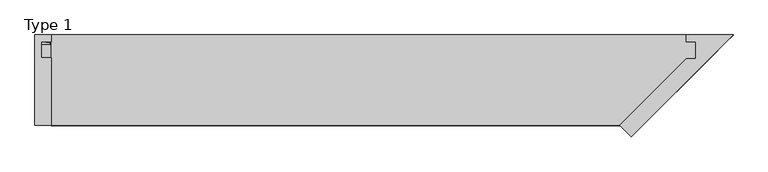
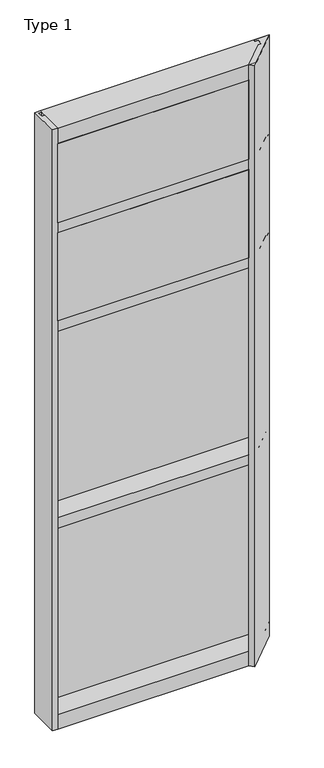
"""IFC4 building model written with IfcOpenShell, lengths in millimetres: plate geometry, Type 1."""

from ifc_helpers import new_model, si_unit, point, frame, frame_2d, origin, place, context, project, spatial, polyline, circle_curve, trimmed, segment, composite_curve, outline, extrude, faceted_brep, source, transform, mapped, element, save


def type_1_4ba3d642(model_context):
    return source(origin(), model_context, "Body", "SolidModel", [
        extrude(outline(polyline([(34.0360843, 3579.4782689), (34.0360843, 3568.7272341), (27.686, 3566.9739421), (27.686, 3579.4782689), (34.0360843, 3579.4782689)])), frame((-643.5056097, 0.0, 0.0), z_axis=(1.0, 0.0, 0.0), x_axis=(0.0, 1.0, 0.0)), (0.0, 0.0, 1.0), 1287.0112194),
        extrude(outline(composite_curve([segment(polyline([(-624.9430559, 27.686), (-625.9095618, 27.686), (-625.9370692, 31.7563748)]), True, "CONTINUOUS"), segment(trimmed(circle_curve(frame_2d((-626.5720547, 31.7520836)), 0.635), [point((-625.9370692, 31.7563748))], [point((-626.5369739, 32.3861138))], True, "CARTESIAN"), True, "CONTINUOUS"), segment(polyline([(-626.5369739, 32.3861138), (-633.2923348, 32.7598869)]), True, "CONTINUOUS"), segment(trimmed(circle_curve(frame_2d((-633.1097815, 33.7593519)), 1.016), [point((-633.2923348, 32.7598869))], [point((-634.0873601, 34.0361122))], False, "CARTESIAN"), True, "CONTINUOUS"), segment(polyline([(-634.0873601, 34.0361122), (-624.5321104, 34.0361122), (-624.9430559, 27.686)]), True, "CONTINUOUS")], self_intersect=False)), frame((0.0, 0.0, 3068.9728643), z_axis=(0.0, 0.0, 1.0), x_axis=(1.0, 0.0, 0.0)), (0.0, 0.0, 1.0), 518.7771357),
        extrude(outline(composite_curve([segment(polyline([(624.9430559, 27.686), (624.5321104, 34.0361122), (634.0873601, 34.0361122)]), True, "CONTINUOUS"), segment(trimmed(circle_curve(frame_2d((633.1097815, 33.7593519)), 1.016), [point((634.0873601, 34.0361122))], [point((633.2923348, 32.7598869))], False, "CARTESIAN"), True, "CONTINUOUS"), segment(polyline([(633.2923348, 32.7598869), (626.5369739, 32.3861138)]), True, "CONTINUOUS"), segment(trimmed(circle_curve(frame_2d((626.5720547, 31.7520836)), 0.635), [point((626.5369739, 32.3861138))], [point((625.9370692, 31.7563748))], True, "CARTESIAN"), True, "CONTINUOUS"), segment(polyline([(625.9370692, 31.7563748), (625.9095618, 27.686), (624.9430559, 27.686)]), True, "CONTINUOUS")], self_intersect=False)), frame((0.0, 0.0, 3068.9728643), z_axis=(0.0, 0.0, 1.0), x_axis=(1.0, 0.0, 0.0)), (0.0, 0.0, 1.0), 518.7771357),
        extrude(outline(polyline([(34.0361122, 3068.9728643), (27.686, 3068.9728643), (27.686, 3081.4771952), (34.0361122, 3079.7238955), (34.0361122, 3068.9728643)])), frame((-634.0873601, 0.0, 0.0), z_axis=(1.0, 0.0, 0.0), x_axis=(0.0, 1.0, 0.0)), (0.0, 0.0, 1.0), 1268.1747201),
        extrude(outline(polyline([(576.0368597, -48.6030703), (493.4868597, -131.0159103), (-624.4556097, -131.0159103), (-626.0431097, -48.6030703), (576.0368597, -48.6030703)])), frame((0.0, 0.0, 3079.75), z_axis=(0.0, 0.0, 1.0), x_axis=(1.0, 0.0, 0.0)), (0.0, 0.0, 1.0), 488.95),
        extrude(outline(polyline([(-643.5056097, 27.686), (643.5056097, 27.686), (643.5056097, 2.286), (-643.5056097, 2.286), (-643.5056097, 27.686)])), frame((0.0, 0.0, 3060.7), z_axis=(0.0, 0.0, 1.0), x_axis=(1.0, 0.0, 0.0)), (0.0, 0.0, 1.0), 527.05),
        extrude(outline(composite_curve([segment(polyline([(34.0360974, 3027.0282838), (34.0360974, 3016.1659828)]), True, "CONTINUOUS"), segment(trimmed(circle_curve(frame_2d((38.5198748, 2991.1648681)), 25.4), [point((34.0360974, 3016.1659828))], [point((27.686, 3014.1384868))], True, "CARTESIAN"), True, "CONTINUOUS"), segment(polyline([(27.686, 3014.1384868), (27.686, 3027.0282838), (34.0360974, 3027.0282838)]), True, "CONTINUOUS")], self_intersect=False)), frame((-643.5056097, 0.0, 0.0), z_axis=(1.0, 0.0, 0.0), x_axis=(0.0, 1.0, 0.0)), (0.0, 0.0, 1.0), 1287.0112194),
        extrude(outline(composite_curve([segment(polyline([(-624.5321104, 34.0361122), (-624.9430559, 27.686), (-625.9095618, 27.686), (-625.9370692, 31.7563748)]), True, "CONTINUOUS"), segment(trimmed(circle_curve(frame_2d((-626.5720547, 31.7520836)), 0.635), [point((-625.9370692, 31.7563748))], [point((-626.5369739, 32.3861138))], True, "CARTESIAN"), True, "CONTINUOUS"), segment(polyline([(-626.5369739, 32.3861138), (-633.2923348, 32.7598869)]), True, "CONTINUOUS"), segment(trimmed(circle_curve(frame_2d((-633.1097815, 33.7593519)), 1.016), [point((-633.2923348, 32.7598869))], [point((-634.0873601, 34.0361122))], False, "CARTESIAN"), True, "CONTINUOUS"), segment(polyline([(-634.0873601, 34.0361122), (-624.5321104, 34.0361122)]), True, "CONTINUOUS")], self_intersect=False)), frame((0.0, 0.0, 2459.3728643), z_axis=(0.0, 0.0, 1.0), x_axis=(1.0, 0.0, 0.0)), (0.0, 0.0, 1.0), 575.9271357),
        extrude(outline(composite_curve([segment(polyline([(624.9430559, 27.686), (624.5321104, 34.0361122), (634.0873601, 34.0361122)]), True, "CONTINUOUS"), segment(trimmed(circle_curve(frame_2d((633.1097815, 33.7593519)), 1.016), [point((634.0873601, 34.0361122))], [point((633.2923348, 32.7598869))], False, "CARTESIAN"), True, "CONTINUOUS"), segment(polyline([(633.2923348, 32.7598869), (626.5369739, 32.3861138)]), True, "CONTINUOUS"), segment(trimmed(circle_curve(frame_2d((626.5720547, 31.7520836)), 0.635), [point((626.5369739, 32.3861138))], [point((625.9370692, 31.7563748))], True, "CARTESIAN"), True, "CONTINUOUS"), segment(polyline([(625.9370692, 31.7563748), (625.9095618, 27.686), (624.9430559, 27.686)]), True, "CONTINUOUS")], self_intersect=False)), frame((0.0, 0.0, 2459.3728643), z_axis=(0.0, 0.0, 1.0), x_axis=(1.0, 0.0, 0.0)), (0.0, 0.0, 1.0), 575.9271357),
        extrude(outline(polyline([(34.0361122, 2459.3728643), (27.686, 2459.3728643), (27.686, 2471.8771952), (34.0361122, 2470.1238955), (34.0361122, 2459.3728643)])), frame((-634.0873601, 0.0, 0.0), z_axis=(1.0, 0.0, 0.0), x_axis=(0.0, 1.0, 0.0)), (0.0, 0.0, 1.0), 1268.1747201),
        extrude(outline(polyline([(575.9376409, -48.514), (493.4868597, -131.0159103), (-624.4556097, -131.0159103), (-624.4556097, -48.514), (575.9376409, -48.514)])), frame((0.0, 0.0, 2470.15), z_axis=(0.0, 0.0, 1.0), x_axis=(1.0, 0.0, 0.0)), (0.0, 0.0, 1.0), 546.1),
        extrude(outline(polyline([(643.5056097, 27.686), (643.5056097, 2.286), (-643.5056097, 2.286), (-643.5056097, 27.686), (643.5056097, 27.686)])), frame((0.0, 0.0, 2451.1), z_axis=(0.0, 0.0, 1.0), x_axis=(1.0, 0.0, 0.0)), (0.0, 0.0, 1.0), 584.2),
        extrude(outline(polyline([(-656.2056097, -130.5814), (-656.2056097, 47.2186), (-624.4545205, 47.2186), (-624.4545205, 34.036), (-643.5056097, 34.036), (-643.5056097, 2.286), (-624.4556097, 2.286), (-624.4556097, -130.5814), (-656.2056097, -130.5814)])), frame((0.0, 0.0, -57.15), z_axis=(0.0, 0.0, 1.0), x_axis=(1.0, 0.0, 0.0)), (0.0, 0.0, 1.0), 3721.1),
        extrude(outline(polyline([(27.686, 1252.6752684), (34.036, 1250.9219997), (34.036, 1240.1709644), (27.686, 1240.1709644), (27.686, 1252.6752684)])), frame((-634.088481, 0.0, 0.0), z_axis=(1.0, 0.0, 0.0), x_axis=(0.0, 1.0, 0.0)), (0.0, 0.0, 1.0), 1268.1769621),
        extrude(outline(polyline([(27.6860992, 2417.4309356), (34.0360992, 2417.4309356), (34.0360992, 2406.6798775), (27.6860992, 2404.9266088), (27.6860992, 2417.4309356)])), frame((-634.088481, 0.0, 0.0), z_axis=(1.0, 0.0, 0.0), x_axis=(0.0, 1.0, 0.0)), (0.0, 0.0, 1.0), 1268.1769621),
        extrude(outline(composite_curve([segment(trimmed(circle_curve(frame_2d((-626.5731439, 31.7520836)), 0.635), [point((-625.9381584, 31.7563748))], [point((-626.5380631, 32.3861138))], True, "CARTESIAN"), True, "CONTINUOUS"), segment(polyline([(-626.5380631, 32.3861138), (-633.293424, 32.7598869)]), True, "CONTINUOUS"), segment(trimmed(circle_curve(frame_2d((-633.1108707, 33.7593519)), 1.016), [point((-633.293424, 32.7598869))], [point((-634.088481, 34.036))], False, "CARTESIAN"), True, "CONTINUOUS"), segment(polyline([(-634.088481, 34.036), (-624.5332069, 34.036), (-624.9441451, 27.686), (-625.910651, 27.686), (-625.9381584, 31.7563748)]), True, "CONTINUOUS")], self_intersect=False)), frame((0.0, 0.0, 1240.1709644), z_axis=(0.0, 0.0, 1.0), x_axis=(1.0, 0.0, 0.0)), (0.0, 0.0, 1.0), 1177.2580861),
        extrude(outline(composite_curve([segment(polyline([(624.9441451, 27.686), (624.5332069, 34.036), (634.088481, 34.036)]), True, "CONTINUOUS"), segment(trimmed(circle_curve(frame_2d((633.1108707, 33.7593519)), 1.016), [point((634.088481, 34.036))], [point((633.293424, 32.7598869))], False, "CARTESIAN"), True, "CONTINUOUS"), segment(polyline([(633.293424, 32.7598869), (626.5380631, 32.3861138)]), True, "CONTINUOUS"), segment(trimmed(circle_curve(frame_2d((626.5731439, 31.7520836)), 0.635), [point((626.5380631, 32.3861138))], [point((625.9381584, 31.7563748))], True, "CARTESIAN"), True, "CONTINUOUS"), segment(polyline([(625.9381584, 31.7563748), (625.910651, 27.686), (624.9441451, 27.686)]), True, "CONTINUOUS")], self_intersect=False)), frame((0.0, 0.0, 1240.1709644), z_axis=(0.0, 0.0, 1.0), x_axis=(1.0, 0.0, 0.0)), (0.0, 0.0, 1.0), 1177.2580861),
        extrude(outline(polyline([(643.5066989, 27.686), (643.5066989, 2.286), (-643.5066989, 2.286), (-643.5066989, 27.686), (643.5066989, 27.686)])), frame((0.0, 0.0, 1231.8962001), z_axis=(0.0, 0.0, 1.0), x_axis=(1.0, 0.0, 0.0)), (0.0, 0.0, 1.0), 1193.8037999),
        extrude(outline(polyline([(27.686, 33.4752684), (34.036, 31.7219997), (34.036, 20.9709644), (27.686, 20.9709644), (27.686, 33.4752684)])), frame((-634.088481, 0.0, 0.0), z_axis=(1.0, 0.0, 0.0), x_axis=(0.0, 1.0, 0.0)), (0.0, 0.0, 1.0), 1268.1769621),
        extrude(outline(polyline([(27.6860992, 1198.2309356), (34.0360992, 1198.2309356), (34.0360992, 1187.4798775), (27.6860992, 1185.7266088), (27.6860992, 1198.2309356)])), frame((-634.088481, 0.0, 0.0), z_axis=(1.0, 0.0, 0.0), x_axis=(0.0, 1.0, 0.0)), (0.0, 0.0, 1.0), 1268.1769621),
        extrude(outline(composite_curve([segment(trimmed(circle_curve(frame_2d((-626.5731439, 31.7520836)), 0.635), [point((-625.9381584, 31.7563748))], [point((-626.5380631, 32.3861138))], True, "CARTESIAN"), True, "CONTINUOUS"), segment(polyline([(-626.5380631, 32.3861138), (-633.293424, 32.7598869)]), True, "CONTINUOUS"), segment(trimmed(circle_curve(frame_2d((-633.1108707, 33.7593519)), 1.016), [point((-633.293424, 32.7598869))], [point((-634.088481, 34.036))], False, "CARTESIAN"), True, "CONTINUOUS"), segment(polyline([(-634.088481, 34.036), (-624.5332069, 34.036), (-624.9441451, 27.686), (-625.910651, 27.686), (-625.9381584, 31.7563748)]), True, "CONTINUOUS")], self_intersect=False)), frame((0.0, 0.0, 20.9709644), z_axis=(0.0, 0.0, 1.0), x_axis=(1.0, 0.0, 0.0)), (0.0, 0.0, 1.0), 1177.2580861),
        extrude(outline(composite_curve([segment(polyline([(624.9441451, 27.686), (624.5332069, 34.036), (634.088481, 34.036)]), True, "CONTINUOUS"), segment(trimmed(circle_curve(frame_2d((633.1108707, 33.7593519)), 1.016), [point((634.088481, 34.036))], [point((633.293424, 32.7598869))], False, "CARTESIAN"), True, "CONTINUOUS"), segment(polyline([(633.293424, 32.7598869), (626.5380631, 32.3861138)]), True, "CONTINUOUS"), segment(trimmed(circle_curve(frame_2d((626.5731439, 31.7520836)), 0.635), [point((626.5380631, 32.3861138))], [point((625.9381584, 31.7563748))], True, "CARTESIAN"), True, "CONTINUOUS"), segment(polyline([(625.9381584, 31.7563748), (625.910651, 27.686), (624.9441451, 27.686)]), True, "CONTINUOUS")], self_intersect=False)), frame((0.0, 0.0, 20.9709644), z_axis=(0.0, 0.0, 1.0), x_axis=(1.0, 0.0, 0.0)), (0.0, 0.0, 1.0), 1177.2580861),
        extrude(outline(polyline([(643.5066989, 27.686), (643.5066989, 2.286), (-643.5066989, 2.286), (-643.5066989, 27.686), (643.5066989, 27.686)])), frame((0.0, 0.0, 12.6962001), z_axis=(0.0, 0.0, 1.0), x_axis=(1.0, 0.0, 0.0)), (0.0, 0.0, 1.0), 1193.8037999),
        extrude(outline(polyline([(493.8752989, -130.5814), (624.4566989, 0.0), (643.5066989, 0.0), (643.5066989, 34.036), (624.4556097, 34.036), (624.4556097, 47.2287054), (716.5866849, 47.2287054), (516.3259392, -153.0320403), (493.8752989, -130.5814)])), frame((0.0, 0.0, -57.15), z_axis=(0.0, 0.0, 1.0), x_axis=(1.0, 0.0, 0.0)), (0.0, 0.0, 1.0), 3721.1),
        faceted_brep([(-624.4556097, 47.2186297, 3663.95), (-624.4556097, 47.2186297, 3568.7), (-624.4556097, 34.13125, 3568.7), (-624.4556097, 34.13125, 3587.75), (-624.4556097, 0.0, 3587.75), (-624.4556097, 0.0, 3568.7), (-624.4556097, -130.175, 3568.7), (-624.4556097, -130.175, 3663.95), (716.5766092, 47.2186297, 3663.95), (716.5766092, 47.2186297, 3568.7), (703.4892295, 34.13125, 3568.7), (703.4892295, 34.13125, 3587.75), (669.3579795, 0.0, 3587.75), (669.3579795, 0.0, 3568.7), (539.1829795, -130.175, 3568.7), (539.1829795, -130.175, 3663.95)], [[[0, 1, 2, 3, 4, 5, 6, 7]], [[1, 0, 8, 9]], [[2, 1, 9, 10]], [[3, 2, 10, 11]], [[4, 3, 11, 12]], [[5, 4, 12, 13]], [[6, 5, 13, 14]], [[7, 6, 14, 15]], [[0, 7, 15, 8]], [[9, 8, 15, 14, 13, 12, 11, 10]]]),
        faceted_brep([(-624.4556097, 0.0, 3079.75), (-624.4556097, 0.0, 3060.7), (-624.4556097, 34.13125, 3060.7), (-624.4556097, 34.13125, 3079.7462001), (-624.4556097, 47.2186445, 3079.7462001), (-624.4556097, 47.2186445, 3016.2462001), (-624.4556097, 34.13125, 3016.2462001), (-624.4556097, 34.13125, 3035.3), (-624.4556097, 0.0, 3035.3), (-624.4556097, 0.0, 3016.25), (-624.4556097, -130.175, 3016.25), (-624.4556097, -130.175, 3079.75), (669.3579795, 0.0, 3079.75), (669.3579795, 0.0, 3060.7), (703.4892295, 34.13125, 3060.7), (703.4892295, 34.13125, 3079.7462001), (716.576624, 47.2186445, 3079.7462001), (716.576624, 47.2186445, 3016.2462001), (703.4892295, 34.13125, 3016.2462001), (703.4892295, 34.13125, 3035.3), (669.3579795, 0.0, 3035.3), (669.3579795, 0.0, 3016.25), (539.1829795, -130.175, 3016.25), (539.1829795, -130.175, 3079.75)], [[[0, 1, 2, 3, 4, 5, 6, 7, 8, 9, 10, 11]], [[1, 0, 12, 13]], [[2, 1, 13, 14]], [[3, 2, 14, 15]], [[4, 3, 15, 16]], [[5, 4, 16, 17]], [[6, 5, 17, 18]], [[7, 6, 18, 19]], [[8, 7, 19, 20]], [[9, 8, 20, 21]], [[10, 9, 21, 22]], [[11, 10, 22, 23]], [[0, 11, 23, 12]], [[13, 12, 23, 22, 21, 20, 19, 18, 17, 16, 15, 14]]]),
        faceted_brep([(-624.4556097, 0.0, 2470.1462001), (-624.4556097, 0.0, 2451.0962001), (-624.4556097, 34.13125, 2451.0962001), (-624.4556097, 34.13125, 2470.1424002), (-624.4556097, 47.2186445, 2470.1424002), (-624.4556097, 47.2186445, 2406.6424002), (-624.4556097, 34.13125, 2406.6424002), (-624.4556097, 34.13125, 2425.6962001), (-624.4556097, 0.0, 2425.6962001), (-624.4556097, 0.0, 2406.6462001), (-624.4556097, -130.175, 2406.6462001), (-624.4556097, -130.175, 2470.1462001), (669.3579795, 0.0, 2470.1462001), (669.3579795, 0.0, 2451.0962001), (703.4892295, 34.13125, 2451.0962001), (703.4892295, 34.13125, 2470.1424002), (716.576624, 47.2186445, 2470.1424002), (716.576624, 47.2186445, 2406.6424002), (703.4892295, 34.13125, 2406.6424002), (703.4892295, 34.13125, 2425.6962001), (669.3579795, 0.0, 2425.6962001), (669.3579795, 0.0, 2406.6462001), (539.1829795, -130.175, 2406.6462001), (539.1829795, -130.175, 2470.1462001)], [[[0, 1, 2, 3, 4, 5, 6, 7, 8, 9, 10, 11]], [[1, 0, 12, 13]], [[2, 1, 13, 14]], [[3, 2, 14, 15]], [[4, 3, 15, 16]], [[5, 4, 16, 17]], [[6, 5, 17, 18]], [[7, 6, 18, 19]], [[8, 7, 19, 20]], [[9, 8, 20, 21]], [[10, 9, 21, 22]], [[11, 10, 22, 23]], [[0, 11, 23, 12]], [[13, 12, 23, 22, 21, 20, 19, 18, 17, 16, 15, 14]]]),
        faceted_brep([(-624.4556097, 0.0, 1250.95), (-624.4556097, 0.0, 1231.9), (-624.4556097, 34.13125, 1231.9), (-624.4556097, 34.13125, 1250.9462001), (-624.4556097, 47.2186445, 1250.9462001), (-624.4556097, 47.2186445, 1187.4462001), (-624.4556097, 34.13125, 1187.4462001), (-624.4556097, 34.13125, 1206.5), (-624.4556097, 0.0, 1206.5), (-624.4556097, 0.0, 1187.45), (-624.4556097, -130.175, 1187.45), (-624.4556097, -130.175, 1250.95), (669.3579795, 0.0, 1250.95), (669.3579795, 0.0, 1231.9), (703.4892295, 34.13125, 1231.9), (703.4892295, 34.13125, 1250.9462001), (716.576624, 47.2186445, 1250.9462001), (716.576624, 47.2186445, 1187.4462001), (703.4892295, 34.13125, 1187.4462001), (703.4892295, 34.13125, 1206.5), (669.3579795, 0.0, 1206.5), (669.3579795, 0.0, 1187.45), (539.1829795, -130.175, 1187.45), (539.1829795, -130.175, 1250.95)], [[[0, 1, 2, 3, 4, 5, 6, 7, 8, 9, 10, 11]], [[1, 0, 12, 13]], [[2, 1, 13, 14]], [[3, 2, 14, 15]], [[4, 3, 15, 16]], [[5, 4, 16, 17]], [[6, 5, 17, 18]], [[7, 6, 18, 19]], [[8, 7, 19, 20]], [[9, 8, 20, 21]], [[10, 9, 21, 22]], [[11, 10, 22, 23]], [[0, 11, 23, 12]], [[13, 12, 23, 22, 21, 20, 19, 18, 17, 16, 15, 14]]]),
        faceted_brep([(-624.4556097, 0.0, 31.75), (-624.4556097, 0.0, 12.7), (-624.4556097, 34.13125, 12.7), (-624.4556097, 34.13125, 31.751832), (-624.4556097, 47.2186148, 31.751832), (-624.4556097, 47.2186148, -57.15), (-624.4556097, -130.175, -57.15), (-624.4556097, -130.175, 31.75), (669.3579795, 0.0, 31.75), (669.3579795, 0.0, 12.7), (703.4892295, 34.13125, 12.7), (703.4892295, 34.13125, 31.751832), (716.5765944, 47.2186148, 31.751832), (716.5765944, 47.2186148, -57.15), (539.1829795, -130.175, -57.15), (539.1829795, -130.175, 31.75)], [[[0, 1, 2, 3, 4, 5, 6, 7]], [[1, 0, 8, 9]], [[2, 1, 9, 10]], [[3, 2, 10, 11]], [[4, 3, 11, 12]], [[5, 4, 12, 13]], [[6, 5, 13, 14]], [[7, 6, 14, 15]], [[0, 7, 15, 8]], [[9, 8, 15, 14, 13, 12, 11, 10]]]),
    ])


if __name__ == "__main__":
    model = new_model("IFC4")
    model_context = context("Model", 3, world=origin())
    ifc_project = project(units=[si_unit("LENGTHUNIT", "METRE", prefix="MILLI")], contexts=[model_context])
    site = spatial("IfcSite", under=ifc_project)
    building = spatial("IfcBuilding", under=site)
    placement = place(None, origin())
    type_1_shape = type_1_4ba3d642(model_context)
    element("IfcPlate", 1, ObjectType="Type 1", at=placement, inside=building, context=model_context, shape_type="MappedRepresentation", body=[
        mapped(type_1_shape, transform((0.0, 0.0, 0.0), x_axis=(1.0, 0.0, 0.0), y_axis=(0.0, 1.0, 0.0), z_axis=(0.0, 0.0, 1.0))),
    ])
    save(model, "model.ifc")
